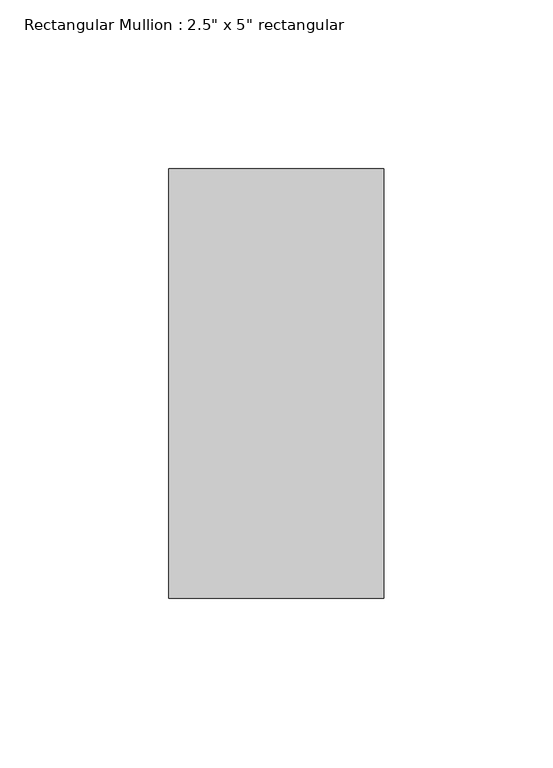
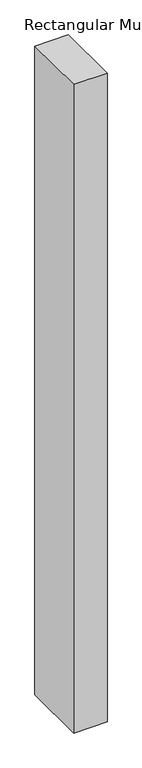
"""IFC4 building model written with IfcOpenShell, lengths in millimetres: member geometry."""

from ifc_helpers import new_model, si_unit, frame, origin, place, context, project, spatial, polyline, outline, extrude, source, transform, mapped, element, save


def member_25d51e51(model_context):
    return source(origin(), model_context, "Body", "SweptSolid", [
        extrude(outline(polyline([(31.75, 63.5), (31.75, -63.5), (-31.75, -63.5), (-31.75, 63.5), (31.75, 63.5)])), frame((0.0, 0.0, -1300.2256882), z_axis=(0.0, 0.0, 1.0), x_axis=(1.0, 0.0, 0.0)), (0.0, 0.0, 1.0), 1300.2256882),
    ])


if __name__ == "__main__":
    model = new_model("IFC4")
    model_context = context("Model", 3, world=origin())
    ifc_project = project(units=[si_unit("LENGTHUNIT", "METRE", prefix="MILLI")], contexts=[model_context])
    site = spatial("IfcSite", under=ifc_project)
    building = spatial("IfcBuilding", under=site)
    placement = place(None, origin())
    member_shape = member_25d51e51(model_context)
    element("IfcMember", 1, ObjectType="Rectangular Mullion : 2.5\" x 5\" rectangular", at=placement, inside=building, context=model_context, shape_type="MappedRepresentation", body=[
        mapped(member_shape, transform((0.0, 0.0, 0.0), x_axis=(1.0, 0.0, 0.0), y_axis=(0.0, 1.0, 0.0), z_axis=(0.0, 0.0, 1.0))),
    ])
    save(model, "model.ifc")
